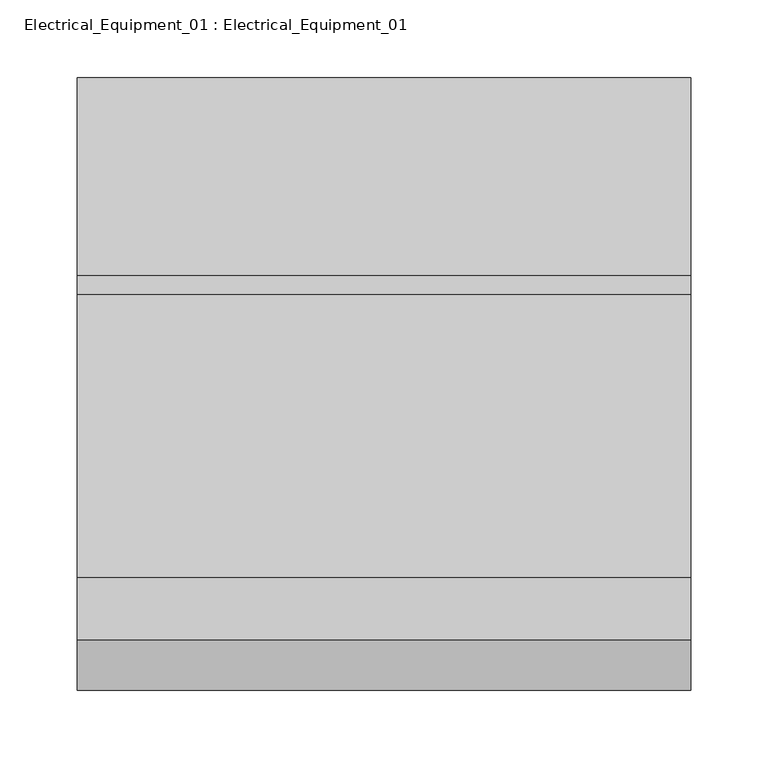
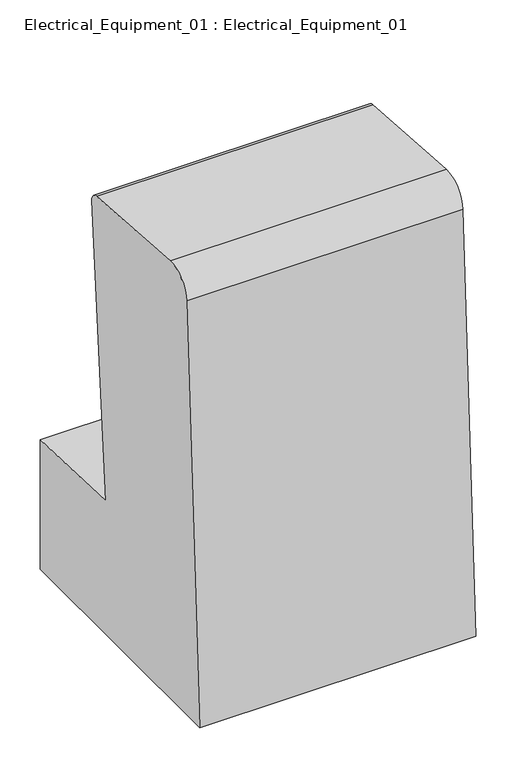
"""IFC4 building model written with IfcOpenShell, lengths in millimetres: proxy geometry, Electrical_Equipment_01 : Electrical_Equipment_01."""

from ifc_helpers import new_model, si_unit, point, frame, frame_2d, origin, place, context, project, spatial, polyline, circle_curve, trimmed, segment, composite_curve, outline, extrude, source, transform, mapped, element, save


def electrical_equipment_01_electrical_equipment_01_c004bdc7(model_context):
    return source(origin(), model_context, "Body", "SweptSolid", [
        extrude(outline(composite_curve([segment(polyline([(183.9707015, 341.5737313), (183.9707015, 144.7237313), (-211.4654644, 144.7237313), (-179.4070859, 772.1146539)]), True, "CONTINUOUS"), segment(trimmed(circle_curve(frame_2d((-141.3567282, 770.1703594)), 38.1), [point((-179.4070859, 772.1146539))], [point((-138.6990066, 808.1775497))], False, "CARTESIAN"), True, "CONTINUOUS"), segment(polyline([(-138.6990066, 808.1775497), (44.0726416, 795.396911)]), True, "CONTINUOUS"), segment(trimmed(circle_curve(frame_2d((43.1867344, 782.7278476)), 12.7), [point((44.0726416, 795.396911))], [point((55.8468246, 781.7218079))], False, "CARTESIAN"), True, "CONTINUOUS"), segment(polyline([(55.8468246, 781.7218079), (21.321612, 347.2535626), (183.9707015, 341.5737313)]), True, "CONTINUOUS")], self_intersect=False)), frame((-196.9381998, 0.0, 0.0), z_axis=(1.0, 0.0, 0.0), x_axis=(0.0, 1.0, 0.0)), (0.0, 0.0, 1.0), 395.7376937),
    ])


if __name__ == "__main__":
    model = new_model("IFC4")
    model_context = context("Model", 3, world=origin())
    ifc_project = project(units=[si_unit("LENGTHUNIT", "METRE", prefix="MILLI")], contexts=[model_context])
    site = spatial("IfcSite", under=ifc_project)
    building = spatial("IfcBuilding", under=site)
    placement = place(None, origin())
    electrical_equipment_01_electrical_equipment_01_shape = electrical_equipment_01_electrical_equipment_01_c004bdc7(model_context)
    element("IfcBuildingElementProxy", 1, Name="Electrical_Equipment_01 : Electrical_Equipment_01", ObjectType="Electrical_Equipment_01 : Electrical_Equipment_01", at=placement, inside=building, context=model_context, shape_type="MappedRepresentation", body=[
        mapped(electrical_equipment_01_electrical_equipment_01_shape, transform((0.0, 0.0, 0.0), x_axis=(1.0, 0.0, 0.0), y_axis=(0.0, 1.0, 0.0), z_axis=(0.0, 0.0, 1.0))),
    ])
    save(model, "model.ifc")
